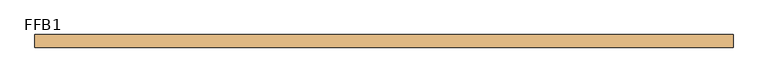
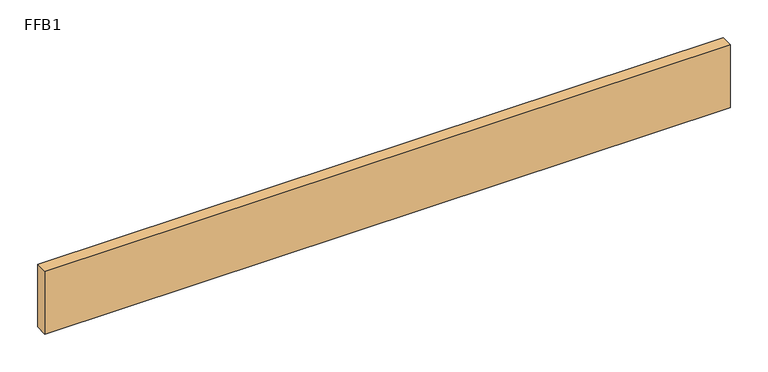
"""IFC4 building model written with IfcOpenShell, lengths in millimetres: door geometry, FFB1."""

import ifcopenshell
import ifcopenshell.guid

model = None  # the IFC model being written
_history = None  # IfcOwnerHistory: only IFC2X3 demands one
_inside = {}  # id of a spatial element -> (the spatial element, [elements in it])
_under = {}  # id of a project, library or spatial element -> (it, [spatial elements below it])
_declared = {}  # id of a project -> (the project, [libraries it declares])
_typed = {}  # id of a type object -> (the type object, [elements of that type])
_made_of = {}  # id of a material, layer set ... -> (it, [elements and type objects made of it])


def new_model(schema):
    """Start an empty IFC model of exactly this schema.

    Asked for "IFC4X3", IfcOpenShell would pick the latest addendum, in which some entities
    have other attributes; the version numbers below select the first issue.
    IFC2X3 requires an IfcOwnerHistory on every rooted entity: one is made here for all.
    """
    global model, _history
    if schema == "IFC4X3":
        model = ifcopenshell.file(schema_version=(4, 3, 0, 0))
    else:
        model = ifcopenshell.file(schema=schema)
    _inside.clear()
    _under.clear()
    _declared.clear()
    _typed.clear()
    _made_of.clear()
    _history = None
    if model.schema == "IFC2X3":
        org = make("IfcOrganization", Name="unknown")
        user = make(
            "IfcPersonAndOrganization",
            ThePerson=make("IfcPerson", FamilyName="unknown"),
            TheOrganization=org,
        )
        app = make(
            "IfcApplication",
            ApplicationDeveloper=org,
            Version="unknown",
            ApplicationFullName="unknown",
            ApplicationIdentifier="unknown",
        )
        _history = make(
            "IfcOwnerHistory",
            OwningUser=user,
            OwningApplication=app,
            ChangeAction="ADDED",
            CreationDate=0,
        )
    return model


def make(cls, **values):
    """One entity of the class cls with the attributes given. An attribute that is None is left unset."""
    return model.create_entity(
        cls, **{name: value for name, value in values.items() if value is not None}
    )


def rooted(cls, **values):
    """An entity with a GlobalId (a new one), such as an element, a storey or a relation."""
    return make(cls, GlobalId=ifcopenshell.guid.new(), OwnerHistory=_history, **values)


def si_unit(unit_type, name, prefix=None):
    """IfcSIUnit, for example si_unit("LENGTHUNIT", "METRE", prefix="MILLI")."""
    return make("IfcSIUnit", UnitType=unit_type, Prefix=prefix, Name=name)


def assignment(units):
    """IfcUnitAssignment: the units of a project."""
    return None if units is None else make("IfcUnitAssignment", Units=units)


def point(xyz):
    """IfcCartesianPoint."""
    return None if xyz is None else make("IfcCartesianPoint", Coordinates=xyz)


def direction(xyz):
    """IfcDirection."""
    return None if xyz is None else make("IfcDirection", DirectionRatios=xyz)


def frame(location, z_axis=None, x_axis=None):
    """IfcAxis2Placement3D, a coordinate frame: its origin and axes. An axis left out is left unset."""
    return make(
        "IfcAxis2Placement3D",
        Location=point(location),
        Axis=direction(z_axis),
        RefDirection=direction(x_axis),
    )


def origin():
    """The frame at (0, 0, 0) with its axes left unset."""
    return frame((0.0, 0.0, 0.0))


def origin_with_axes():
    """The frame at (0, 0, 0) with the z axis (0, 0, 1) and the x axis (1, 0, 0) written out."""
    return frame((0.0, 0.0, 0.0), z_axis=(0.0, 0.0, 1.0), x_axis=(1.0, 0.0, 0.0))


def place(relative_to, where):
    """IfcLocalPlacement: puts the frame where relative to a parent placement (None: the world)."""
    return make(
        "IfcLocalPlacement", PlacementRelTo=relative_to, RelativePlacement=where
    )


def context(
    kind, dimensions, precision=None, world=None, true_north=None, identifier=None
):
    """IfcGeometricRepresentationContext, for example the 3D "Model" context."""
    return make(
        "IfcGeometricRepresentationContext",
        ContextIdentifier=identifier,
        ContextType=kind,
        CoordinateSpaceDimension=dimensions,
        Precision=precision,
        WorldCoordinateSystem=world,
        TrueNorth=true_north,
    )


def project(units=None, contexts=None):
    """IfcProject with its units and contexts."""
    return rooted(
        "IfcProject",
        Name="project",
        RepresentationContexts=contexts,
        UnitsInContext=assignment(units),
    )


def spatial(cls, under=None, at=None, **own):
    """A site, building, storey or space (cls), placed at a placement, below another one or the project."""
    s = rooted(cls, ObjectPlacement=at, **own)
    if under is not None:
        _under.setdefault(under.id(), (under, []))[1].append(s)
    return s


def polyline(points):
    """IfcPolyline through the points."""
    return make("IfcPolyline", Points=[point(p) for p in points])


def outline(outer, holes=None, kind="AREA"):
    """IfcArbitraryClosedProfileDef: a profile drawn as a closed curve; with holes, ...WithVoids."""
    if holes is None:
        return make("IfcArbitraryClosedProfileDef", ProfileType=kind, OuterCurve=outer)
    return make(
        "IfcArbitraryProfileDefWithVoids",
        ProfileType=kind,
        OuterCurve=outer,
        InnerCurves=holes,
    )


def extrude(swept, where, along, depth):
    """IfcExtrudedAreaSolid: the profile swept, set in the frame where, extruded along a direction by depth."""
    return make(
        "IfcExtrudedAreaSolid",
        SweptArea=swept,
        Position=where,
        ExtrudedDirection=direction(along),
        Depth=depth,
    )


def shape(context_of_items, identifier, shape_type, items):
    """IfcShapeRepresentation: the items that make up one representation, for example the "Body"."""
    return make(
        "IfcShapeRepresentation",
        ContextOfItems=context_of_items,
        RepresentationIdentifier=identifier,
        RepresentationType=shape_type,
        Items=items,
    )


def source(mapping_origin, context_of_items, identifier, shape_type, items):
    """IfcRepresentationMap: a shape defined once, which mapped items show again and again."""
    return make(
        "IfcRepresentationMap",
        MappingOrigin=mapping_origin,
        MappedRepresentation=shape(context_of_items, identifier, shape_type, items),
    )


def transform(
    local_origin,
    x_axis=None,
    y_axis=None,
    z_axis=None,
    scale=None,
    scale2=None,
    scale3=None,
    uniform=True,
):
    """IfcCartesianTransformationOperator3D, or its non-uniform kind. x_axis, y_axis, z_axis: its Axis1, 2, 3."""
    if uniform:
        return make(
            "IfcCartesianTransformationOperator3D",
            Axis1=direction(x_axis),
            Axis2=direction(y_axis),
            LocalOrigin=point(local_origin),
            Scale=scale,
            Axis3=direction(z_axis),
        )
    return make(
        "IfcCartesianTransformationOperator3DnonUniform",
        Axis1=direction(x_axis),
        Axis2=direction(y_axis),
        LocalOrigin=point(local_origin),
        Scale=scale,
        Axis3=direction(z_axis),
        Scale2=scale2,
        Scale3=scale3,
    )


def mapped(mapping_source, mapping_target):
    """IfcMappedItem: shows the shape of a source again, moved by a transform."""
    return make(
        "IfcMappedItem", MappingSource=mapping_source, MappingTarget=mapping_target
    )


def made_of(thing, what):
    """Note that an element or type object is made of a material, layer set ...; save() writes the relation."""
    if what is not None:
        _made_of.setdefault(what.id(), (what, []))[1].append(thing)
    return thing


def element(
    cls,
    number,
    at=None,
    inside=None,
    cuts=None,
    type_object=None,
    material=None,
    context=None,
    identifier="Body",
    shape_type=None,
    held_by="IfcProductDefinitionShape",
    body=None,
    shapes=None,
    **own,
):
    """One element of the class cls, such as IfcWall. Its Tag is "e" and its number.

    at: its placement. inside: the storey or other place that contains it. cuts: it is an
    opening in that element (IfcRelVoidsElement). A single representation is given by context,
    identifier, shape_type and body (its items); several are given by shapes. held_by: the class
    of the entity that holds the representations. save() writes the other relations.
    """
    e = rooted(cls, Tag="e%d" % number, ObjectPlacement=at, **own)
    if body is not None:
        shapes = [shape(context, identifier, shape_type, body)]
    if shapes is not None:
        e.Representation = make(held_by, Representations=shapes)
    if inside is not None:
        _inside.setdefault(inside.id(), (inside, []))[1].append(e)
    if cuts is not None:
        rooted(
            "IfcRelVoidsElement", RelatingBuildingElement=cuts, RelatedOpeningElement=e
        )
    if type_object is not None:
        _typed.setdefault(type_object.id(), (type_object, []))[1].append(e)
    return made_of(e, material)


def aggregate(whole, parts):
    """IfcRelAggregates: a whole, such as a stair, and the parts it consists of."""
    return rooted("IfcRelAggregates", RelatingObject=whole, RelatedObjects=parts)


def save(model, path):
    """Write the relations noted so far, then the file.

    IfcRelAggregates (storeys below a building ...), IfcRelContainedInSpatialStructure (elements
    in a storey), IfcRelDefinesByType, IfcRelAssociatesMaterial and IfcRelDeclares: one each for
    every whole, place, type object, material and project.
    """
    for whole, parts in _under.values():
        aggregate(whole, parts)
    for where, things in _inside.values():
        rooted(
            "IfcRelContainedInSpatialStructure",
            RelatedElements=things,
            RelatingStructure=where,
        )
    for kind, things in _typed.values():
        rooted("IfcRelDefinesByType", RelatedObjects=things, RelatingType=kind)
    for what, things in _made_of.values():
        rooted("IfcRelAssociatesMaterial", RelatedObjects=things, RelatingMaterial=what)
    for by, libraries in _declared.values():
        rooted("IfcRelDeclares", RelatingContext=by, RelatedDefinitions=libraries)
    model.write(path)


def ffb1_178b4a65(model_context):
    return source(origin(), model_context, "Body", "SweptSolid", [
        extrude(outline(polyline([(525.1133888, 0.0), (525.1133888, -19.05), (-525.1133888, -19.05), (-525.1133888, 0.0), (525.1133888, 0.0)])), origin_with_axes(), (0.0, 0.0, 1.0), 101.6),
    ])


if __name__ == "__main__":
    model = new_model("IFC4")
    model_context = context("Model", 3, world=origin())
    ifc_project = project(units=[si_unit("LENGTHUNIT", "METRE", prefix="MILLI")], contexts=[model_context])
    site = spatial("IfcSite", under=ifc_project)
    building = spatial("IfcBuilding", under=site)
    placement = place(None, origin())
    ffb1_shape = ffb1_178b4a65(model_context)
    element("IfcDoor", 1, ObjectType="FFB1", at=placement, inside=building, context=model_context, shape_type="MappedRepresentation", body=[
        mapped(ffb1_shape, transform((0.0, 0.0, 0.0), x_axis=(1.0, 0.0, 0.0), y_axis=(0.0, 1.0, 0.0), z_axis=(0.0, 0.0, 1.0))),
    ])
    save(model, "model.ifc")
